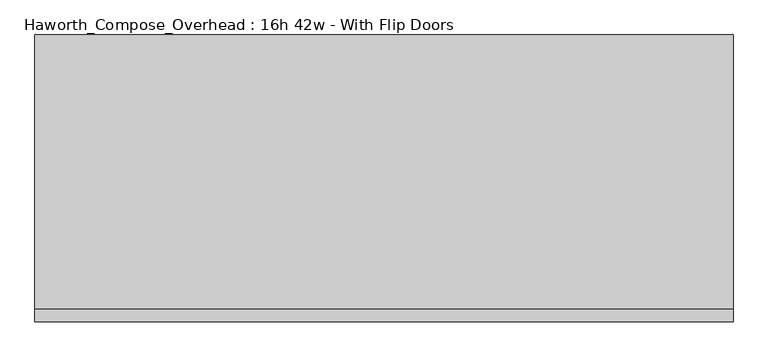
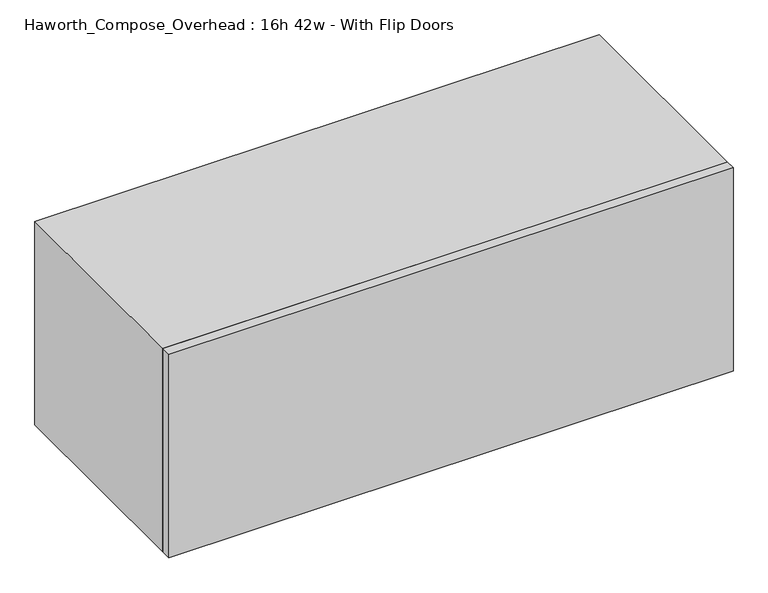
"""IFC4 building model written with IfcOpenShell, lengths in millimetres: furniture geometry, Haworth_Compose_Overhead : 16h 42w - With Flip Doors."""

from ifc_helpers import new_model, si_unit, frame, origin, place, context, project, spatial, polyline, outline, extrude, source, transform, mapped, element, save


def haworth_compose_overhead_16h_42w_with_flip_doors_d10b8f15(model_context):
    return source(origin(), model_context, "Body", "SweptSolid", [
        extrude(outline(polyline([(698.5, -438.15), (-368.3, -438.15), (-368.3, -419.1), (698.5, -419.1), (698.5, -438.15)])), frame((0.0, 0.0, 1270.0), z_axis=(0.0, 0.0, 1.0), x_axis=(1.0, 0.0, 0.0)), (0.0, 0.0, 1.0), 406.4),
        extrude(outline(polyline([(673.1, -6.35), (-342.9, -6.35), (-342.9, 0.0), (673.1, 0.0), (673.1, -6.35)])), frame((0.0, 0.0, 1295.4), z_axis=(0.0, 0.0, 1.0), x_axis=(1.0, 0.0, 0.0)), (0.0, 0.0, 1.0), 355.6),
        extrude(outline(polyline([(1270.0, 698.5), (1676.4, 698.5), (1676.4, -368.3), (1270.0, -368.3), (1270.0, 698.5)]), holes=[polyline([(1651.0, 673.1), (1295.4, 673.1), (1295.4, -342.9), (1651.0, -342.9), (1651.0, 673.1)])]), frame((0.0, -419.1, 0.0), z_axis=(0.0, 1.0, 0.0), x_axis=(0.0, 0.0, 1.0)), (0.0, 0.0, 1.0), 419.1),
    ])


if __name__ == "__main__":
    model = new_model("IFC4")
    model_context = context("Model", 3, world=origin())
    ifc_project = project(units=[si_unit("LENGTHUNIT", "METRE", prefix="MILLI")], contexts=[model_context])
    site = spatial("IfcSite", under=ifc_project)
    building = spatial("IfcBuilding", under=site)
    placement = place(None, origin())
    haworth_compose_overhead_16h_42w_with_flip_doors_shape = haworth_compose_overhead_16h_42w_with_flip_doors_d10b8f15(model_context)
    element("IfcFurniture", 1, ObjectType="Haworth_Compose_Overhead : 16h 42w - With Flip Doors", at=placement, inside=building, context=model_context, shape_type="MappedRepresentation", body=[
        mapped(haworth_compose_overhead_16h_42w_with_flip_doors_shape, transform((0.0, 0.0, 0.0), x_axis=(1.0, 0.0, 0.0), y_axis=(0.0, 1.0, 0.0), z_axis=(0.0, 0.0, 1.0))),
    ])
    save(model, "model.ifc")
